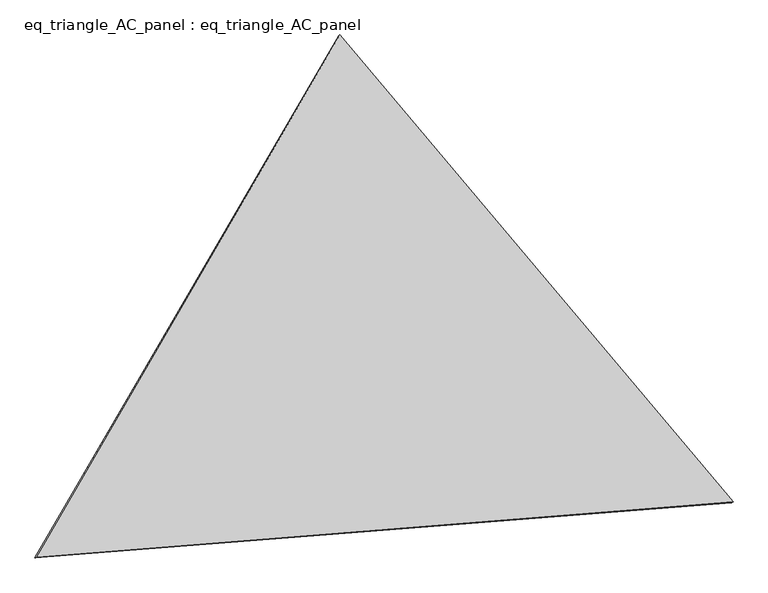
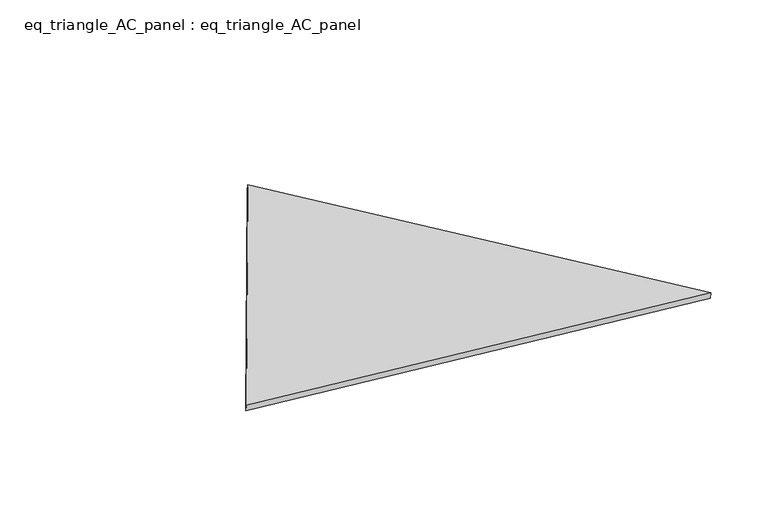
"""IFC4 building model written with IfcOpenShell, lengths in millimetres: proxy geometry, eq_triangle_AC_panel : eq_triangle_AC_panel."""

from ifc_helpers import new_model, si_unit, frame, origin, place, context, project, spatial, polyline, outline, extrude, source, transform, mapped, element, save


def eq_triangle_ac_panel_eq_triangle_ac_panel_9433d937(model_context):
    return source(origin(), model_context, "Body", "SweptSolid", [
        extrude(outline(polyline([(-1545.5195341, 1096.9349545), (1940.5867674, 1096.9349545), (-395.0672335, -2193.869909), (-1545.5195341, 1096.9349545)])), frame((0.0038051, 527.9290861, 89.8240019), z_axis=(0.1452632851805822, 0.08386570281802194, 0.9858321976225893), x_axis=(0.6433960913788074, -0.7649559652187965, -0.029729461391906284)), (0.0, 0.0, 1.0), 43.8306294),
    ])


if __name__ == "__main__":
    model = new_model("IFC4")
    model_context = context("Model", 3, world=origin())
    ifc_project = project(units=[si_unit("LENGTHUNIT", "METRE", prefix="MILLI")], contexts=[model_context])
    site = spatial("IfcSite", under=ifc_project)
    building = spatial("IfcBuilding", under=site)
    placement = place(None, origin())
    eq_triangle_ac_panel_eq_triangle_ac_panel_shape = eq_triangle_ac_panel_eq_triangle_ac_panel_9433d937(model_context)
    element("IfcBuildingElementProxy", 1, Name="eq_triangle_AC_panel : eq_triangle_AC_panel", ObjectType="eq_triangle_AC_panel : eq_triangle_AC_panel", at=placement, inside=building, context=model_context, shape_type="MappedRepresentation", body=[
        mapped(eq_triangle_ac_panel_eq_triangle_ac_panel_shape, transform((0.0, 0.0, 0.0), x_axis=(1.0, 0.0, 0.0), y_axis=(0.0, 1.0, 0.0), z_axis=(0.0, 0.0, 1.0))),
    ])
    save(model, "model.ifc")
